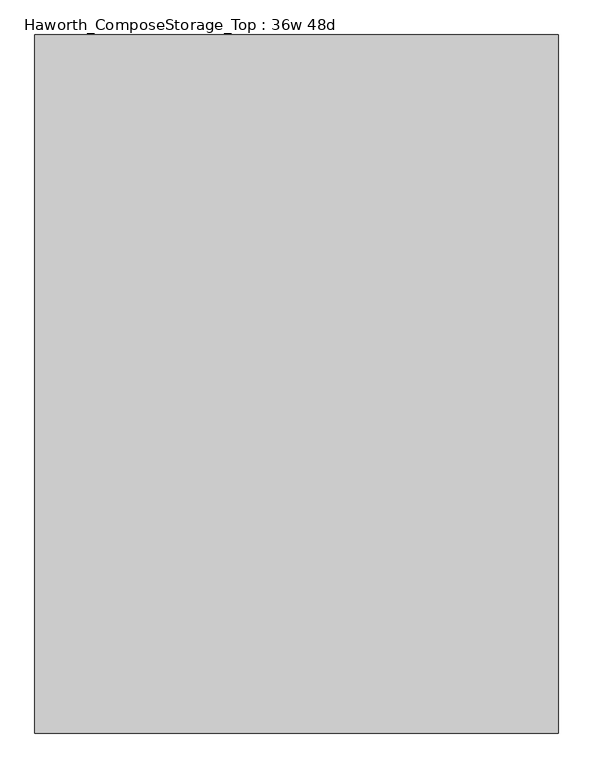
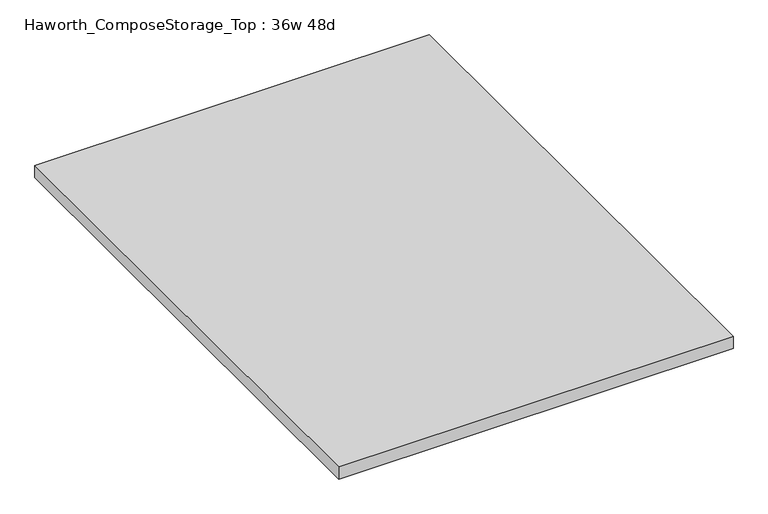
"""IFC4 building model written with IfcOpenShell, lengths in millimetres: furniture geometry, Haworth_ComposeStorage_Top : 36w 48d."""

from ifc_helpers import new_model, si_unit, frame, origin, place, context, project, spatial, polyline, outline, extrude, source, transform, mapped, element, save


def haworth_composestorage_top_36w_48d_267fc04b(model_context):
    return source(origin(), model_context, "Body", "SweptSolid", [
        extrude(outline(polyline([(457.2, 609.6), (457.2, -609.6), (-457.2, -609.6), (-457.2, 609.6), (457.2, 609.6)])), frame((0.0, 0.0, 706.4375), z_axis=(0.0, 0.0, 1.0), x_axis=(1.0, 0.0, 0.0)), (0.0, 0.0, 1.0), 30.1625),
    ])


if __name__ == "__main__":
    model = new_model("IFC4")
    model_context = context("Model", 3, world=origin())
    ifc_project = project(units=[si_unit("LENGTHUNIT", "METRE", prefix="MILLI")], contexts=[model_context])
    site = spatial("IfcSite", under=ifc_project)
    building = spatial("IfcBuilding", under=site)
    placement = place(None, origin())
    haworth_composestorage_top_36w_48d_shape = haworth_composestorage_top_36w_48d_267fc04b(model_context)
    element("IfcFurniture", 1, ObjectType="Haworth_ComposeStorage_Top : 36w 48d", at=placement, inside=building, context=model_context, shape_type="MappedRepresentation", body=[
        mapped(haworth_composestorage_top_36w_48d_shape, transform((0.0, 0.0, 0.0), x_axis=(1.0, 0.0, 0.0), y_axis=(0.0, 1.0, 0.0), z_axis=(0.0, 0.0, 1.0))),
    ])
    save(model, "model.ifc")
